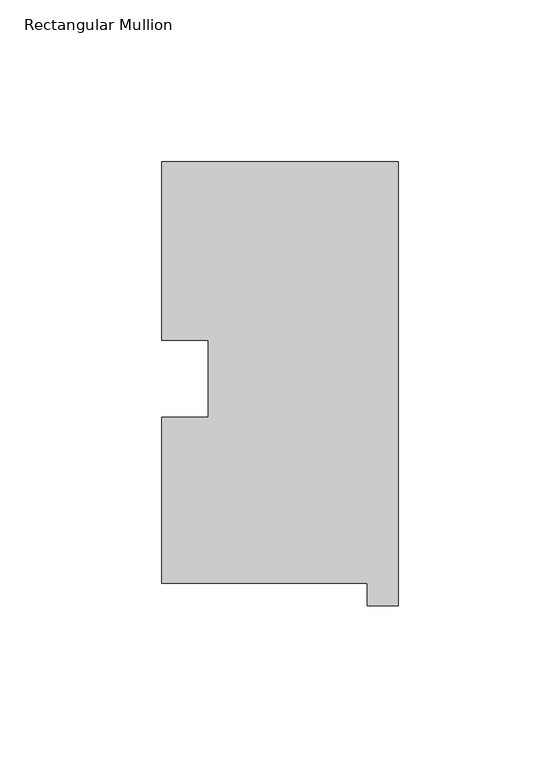
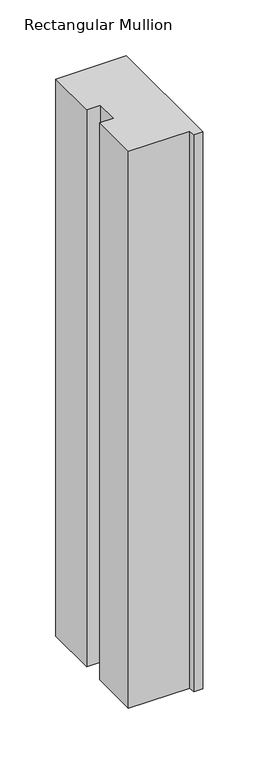
"""IFC4 building model written with IfcOpenShell, lengths in millimetres: member geometry, Rectangular Mullion."""

import ifcopenshell
import ifcopenshell.guid

model = None  # the IFC model being written
_history = None  # IfcOwnerHistory: only IFC2X3 demands one
_inside = {}  # id of a spatial element -> (the spatial element, [elements in it])
_under = {}  # id of a project, library or spatial element -> (it, [spatial elements below it])
_declared = {}  # id of a project -> (the project, [libraries it declares])
_typed = {}  # id of a type object -> (the type object, [elements of that type])
_made_of = {}  # id of a material, layer set ... -> (it, [elements and type objects made of it])


def new_model(schema):
    """Start an empty IFC model of exactly this schema.

    Asked for "IFC4X3", IfcOpenShell would pick the latest addendum, in which some entities
    have other attributes; the version numbers below select the first issue.
    IFC2X3 requires an IfcOwnerHistory on every rooted entity: one is made here for all.
    """
    global model, _history
    if schema == "IFC4X3":
        model = ifcopenshell.file(schema_version=(4, 3, 0, 0))
    else:
        model = ifcopenshell.file(schema=schema)
    _inside.clear()
    _under.clear()
    _declared.clear()
    _typed.clear()
    _made_of.clear()
    _history = None
    if model.schema == "IFC2X3":
        org = make("IfcOrganization", Name="unknown")
        user = make(
            "IfcPersonAndOrganization",
            ThePerson=make("IfcPerson", FamilyName="unknown"),
            TheOrganization=org,
        )
        app = make(
            "IfcApplication",
            ApplicationDeveloper=org,
            Version="unknown",
            ApplicationFullName="unknown",
            ApplicationIdentifier="unknown",
        )
        _history = make(
            "IfcOwnerHistory",
            OwningUser=user,
            OwningApplication=app,
            ChangeAction="ADDED",
            CreationDate=0,
        )
    return model


def make(cls, **values):
    """One entity of the class cls with the attributes given. An attribute that is None is left unset."""
    return model.create_entity(
        cls, **{name: value for name, value in values.items() if value is not None}
    )


def rooted(cls, **values):
    """An entity with a GlobalId (a new one), such as an element, a storey or a relation."""
    return make(cls, GlobalId=ifcopenshell.guid.new(), OwnerHistory=_history, **values)


def si_unit(unit_type, name, prefix=None):
    """IfcSIUnit, for example si_unit("LENGTHUNIT", "METRE", prefix="MILLI")."""
    return make("IfcSIUnit", UnitType=unit_type, Prefix=prefix, Name=name)


def assignment(units):
    """IfcUnitAssignment: the units of a project."""
    return None if units is None else make("IfcUnitAssignment", Units=units)


def point(xyz):
    """IfcCartesianPoint."""
    return None if xyz is None else make("IfcCartesianPoint", Coordinates=xyz)


def direction(xyz):
    """IfcDirection."""
    return None if xyz is None else make("IfcDirection", DirectionRatios=xyz)


def frame(location, z_axis=None, x_axis=None):
    """IfcAxis2Placement3D, a coordinate frame: its origin and axes. An axis left out is left unset."""
    return make(
        "IfcAxis2Placement3D",
        Location=point(location),
        Axis=direction(z_axis),
        RefDirection=direction(x_axis),
    )


def origin():
    """The frame at (0, 0, 0) with its axes left unset."""
    return frame((0.0, 0.0, 0.0))


def place(relative_to, where):
    """IfcLocalPlacement: puts the frame where relative to a parent placement (None: the world)."""
    return make(
        "IfcLocalPlacement", PlacementRelTo=relative_to, RelativePlacement=where
    )


def context(
    kind, dimensions, precision=None, world=None, true_north=None, identifier=None
):
    """IfcGeometricRepresentationContext, for example the 3D "Model" context."""
    return make(
        "IfcGeometricRepresentationContext",
        ContextIdentifier=identifier,
        ContextType=kind,
        CoordinateSpaceDimension=dimensions,
        Precision=precision,
        WorldCoordinateSystem=world,
        TrueNorth=true_north,
    )


def project(units=None, contexts=None):
    """IfcProject with its units and contexts."""
    return rooted(
        "IfcProject",
        Name="project",
        RepresentationContexts=contexts,
        UnitsInContext=assignment(units),
    )


def spatial(cls, under=None, at=None, **own):
    """A site, building, storey or space (cls), placed at a placement, below another one or the project."""
    s = rooted(cls, ObjectPlacement=at, **own)
    if under is not None:
        _under.setdefault(under.id(), (under, []))[1].append(s)
    return s


def polyline(points):
    """IfcPolyline through the points."""
    return make("IfcPolyline", Points=[point(p) for p in points])


def outline(outer, holes=None, kind="AREA"):
    """IfcArbitraryClosedProfileDef: a profile drawn as a closed curve; with holes, ...WithVoids."""
    if holes is None:
        return make("IfcArbitraryClosedProfileDef", ProfileType=kind, OuterCurve=outer)
    return make(
        "IfcArbitraryProfileDefWithVoids",
        ProfileType=kind,
        OuterCurve=outer,
        InnerCurves=holes,
    )


def extrude(swept, where, along, depth):
    """IfcExtrudedAreaSolid: the profile swept, set in the frame where, extruded along a direction by depth."""
    return make(
        "IfcExtrudedAreaSolid",
        SweptArea=swept,
        Position=where,
        ExtrudedDirection=direction(along),
        Depth=depth,
    )


def shape(context_of_items, identifier, shape_type, items):
    """IfcShapeRepresentation: the items that make up one representation, for example the "Body"."""
    return make(
        "IfcShapeRepresentation",
        ContextOfItems=context_of_items,
        RepresentationIdentifier=identifier,
        RepresentationType=shape_type,
        Items=items,
    )


def source(mapping_origin, context_of_items, identifier, shape_type, items):
    """IfcRepresentationMap: a shape defined once, which mapped items show again and again."""
    return make(
        "IfcRepresentationMap",
        MappingOrigin=mapping_origin,
        MappedRepresentation=shape(context_of_items, identifier, shape_type, items),
    )


def transform(
    local_origin,
    x_axis=None,
    y_axis=None,
    z_axis=None,
    scale=None,
    scale2=None,
    scale3=None,
    uniform=True,
):
    """IfcCartesianTransformationOperator3D, or its non-uniform kind. x_axis, y_axis, z_axis: its Axis1, 2, 3."""
    if uniform:
        return make(
            "IfcCartesianTransformationOperator3D",
            Axis1=direction(x_axis),
            Axis2=direction(y_axis),
            LocalOrigin=point(local_origin),
            Scale=scale,
            Axis3=direction(z_axis),
        )
    return make(
        "IfcCartesianTransformationOperator3DnonUniform",
        Axis1=direction(x_axis),
        Axis2=direction(y_axis),
        LocalOrigin=point(local_origin),
        Scale=scale,
        Axis3=direction(z_axis),
        Scale2=scale2,
        Scale3=scale3,
    )


def mapped(mapping_source, mapping_target):
    """IfcMappedItem: shows the shape of a source again, moved by a transform."""
    return make(
        "IfcMappedItem", MappingSource=mapping_source, MappingTarget=mapping_target
    )


def made_of(thing, what):
    """Note that an element or type object is made of a material, layer set ...; save() writes the relation."""
    if what is not None:
        _made_of.setdefault(what.id(), (what, []))[1].append(thing)
    return thing


def element(
    cls,
    number,
    at=None,
    inside=None,
    cuts=None,
    type_object=None,
    material=None,
    context=None,
    identifier="Body",
    shape_type=None,
    held_by="IfcProductDefinitionShape",
    body=None,
    shapes=None,
    **own,
):
    """One element of the class cls, such as IfcWall. Its Tag is "e" and its number.

    at: its placement. inside: the storey or other place that contains it. cuts: it is an
    opening in that element (IfcRelVoidsElement). A single representation is given by context,
    identifier, shape_type and body (its items); several are given by shapes. held_by: the class
    of the entity that holds the representations. save() writes the other relations.
    """
    e = rooted(cls, Tag="e%d" % number, ObjectPlacement=at, **own)
    if body is not None:
        shapes = [shape(context, identifier, shape_type, body)]
    if shapes is not None:
        e.Representation = make(held_by, Representations=shapes)
    if inside is not None:
        _inside.setdefault(inside.id(), (inside, []))[1].append(e)
    if cuts is not None:
        rooted(
            "IfcRelVoidsElement", RelatingBuildingElement=cuts, RelatedOpeningElement=e
        )
    if type_object is not None:
        _typed.setdefault(type_object.id(), (type_object, []))[1].append(e)
    return made_of(e, material)


def aggregate(whole, parts):
    """IfcRelAggregates: a whole, such as a stair, and the parts it consists of."""
    return rooted("IfcRelAggregates", RelatingObject=whole, RelatedObjects=parts)


def save(model, path):
    """Write the relations noted so far, then the file.

    IfcRelAggregates (storeys below a building ...), IfcRelContainedInSpatialStructure (elements
    in a storey), IfcRelDefinesByType, IfcRelAssociatesMaterial and IfcRelDeclares: one each for
    every whole, place, type object, material and project.
    """
    for whole, parts in _under.values():
        aggregate(whole, parts)
    for where, things in _inside.values():
        rooted(
            "IfcRelContainedInSpatialStructure",
            RelatedElements=things,
            RelatingStructure=where,
        )
    for kind, things in _typed.values():
        rooted("IfcRelDefinesByType", RelatedObjects=things, RelatingType=kind)
    for what, things in _made_of.values():
        rooted("IfcRelAssociatesMaterial", RelatedObjects=things, RelatingMaterial=what)
    for by, libraries in _declared.values():
        rooted("IfcRelDeclares", RelatingContext=by, RelatedDefinitions=libraries)
    model.write(path)


def rectangular_mullion_4ceaa83e(model_context):
    return source(origin(), model_context, "Body", "SweptSolid", [
        extrude(outline(polyline([(-9.525, 0.26035), (-73.025, 0.26035), (-73.025, 51.60645), (-58.7351579, 51.60645), (-58.7351579, 75.40625), (-73.025, 75.40625), (-73.025, 130.56235), (0.0, 130.56235), (0.0, -6.64845), (-9.525, -6.64845), (-9.525, 0.26035)])), frame((0.0, 0.0, -609.6), z_axis=(0.0, 0.0, 1.0), x_axis=(1.0, 0.0, 0.0)), (0.0, 0.0, 1.0), 609.6),
    ])


if __name__ == "__main__":
    model = new_model("IFC4")
    model_context = context("Model", 3, world=origin())
    ifc_project = project(units=[si_unit("LENGTHUNIT", "METRE", prefix="MILLI")], contexts=[model_context])
    site = spatial("IfcSite", under=ifc_project)
    building = spatial("IfcBuilding", under=site)
    placement = place(None, origin())
    rectangular_mullion_shape = rectangular_mullion_4ceaa83e(model_context)
    element("IfcMember", 1, ObjectType="Rectangular Mullion", at=placement, inside=building, context=model_context, shape_type="MappedRepresentation", body=[
        mapped(rectangular_mullion_shape, transform((0.0, 0.0, 0.0), x_axis=(1.0, 0.0, 0.0), y_axis=(0.0, 1.0, 0.0), z_axis=(0.0, 0.0, 1.0))),
    ])
    save(model, "model.ifc")
